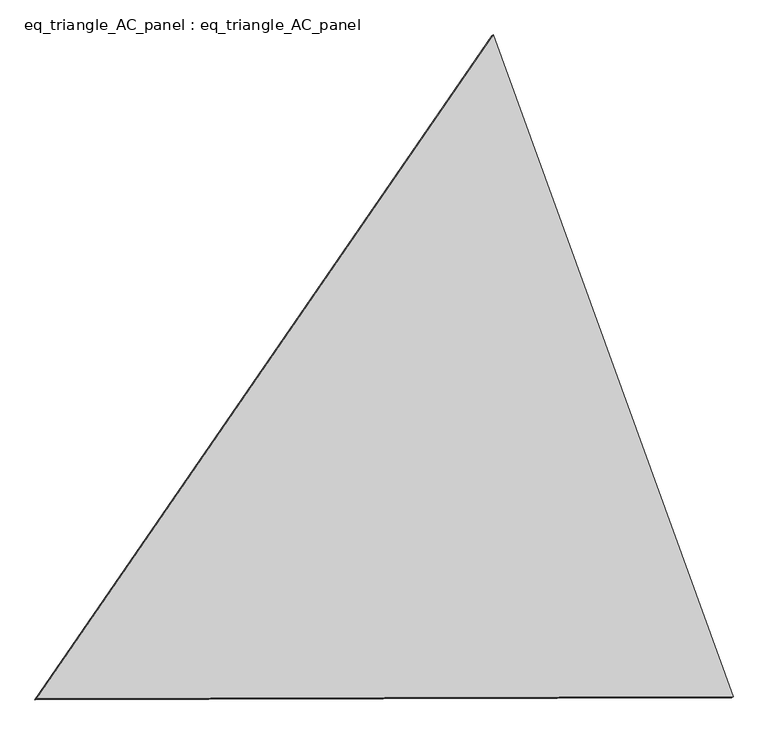
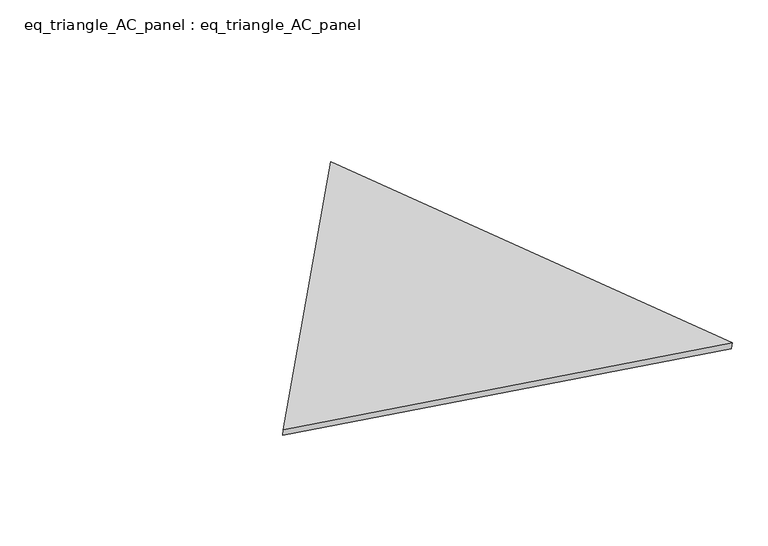
"""IFC4 building model written with IfcOpenShell, lengths in millimetres: proxy geometry, eq_triangle_AC_panel : eq_triangle_AC_panel."""

from ifc_helpers import new_model, si_unit, frame, origin, place, context, project, spatial, polyline, outline, extrude, source, transform, mapped, element, save


def eq_triangle_ac_panel_eq_triangle_ac_panel_445c5d79(model_context):
    return source(origin(), model_context, "Body", "SweptSolid", [
        extrude(outline(polyline([(-1940.5578566, 1097.0975081), (1545.5970315, 1097.097508), (394.960825, -2194.1950162), (-1940.5578566, 1097.0975081)])), frame((0.0038051, 527.9290861, 89.8240019), z_axis=(0.1452632851805152, 0.08386570281792484, 0.9858321976226074), x_axis=(0.3408469695091295, -0.9396491344805981, 0.02971274888504346)), (0.0, 0.0, 1.0), 43.8306294),
    ])


if __name__ == "__main__":
    model = new_model("IFC4")
    model_context = context("Model", 3, world=origin())
    ifc_project = project(units=[si_unit("LENGTHUNIT", "METRE", prefix="MILLI")], contexts=[model_context])
    site = spatial("IfcSite", under=ifc_project)
    building = spatial("IfcBuilding", under=site)
    placement = place(None, origin())
    eq_triangle_ac_panel_eq_triangle_ac_panel_shape = eq_triangle_ac_panel_eq_triangle_ac_panel_445c5d79(model_context)
    element("IfcBuildingElementProxy", 1, Name="eq_triangle_AC_panel : eq_triangle_AC_panel", ObjectType="eq_triangle_AC_panel : eq_triangle_AC_panel", at=placement, inside=building, context=model_context, shape_type="MappedRepresentation", body=[
        mapped(eq_triangle_ac_panel_eq_triangle_ac_panel_shape, transform((0.0, 0.0, 0.0), x_axis=(1.0, 0.0, 0.0), y_axis=(0.0, 1.0, 0.0), z_axis=(0.0, 0.0, 1.0))),
    ])
    save(model, "model.ifc")
